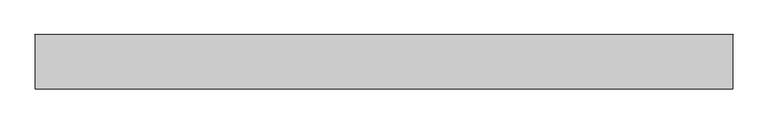
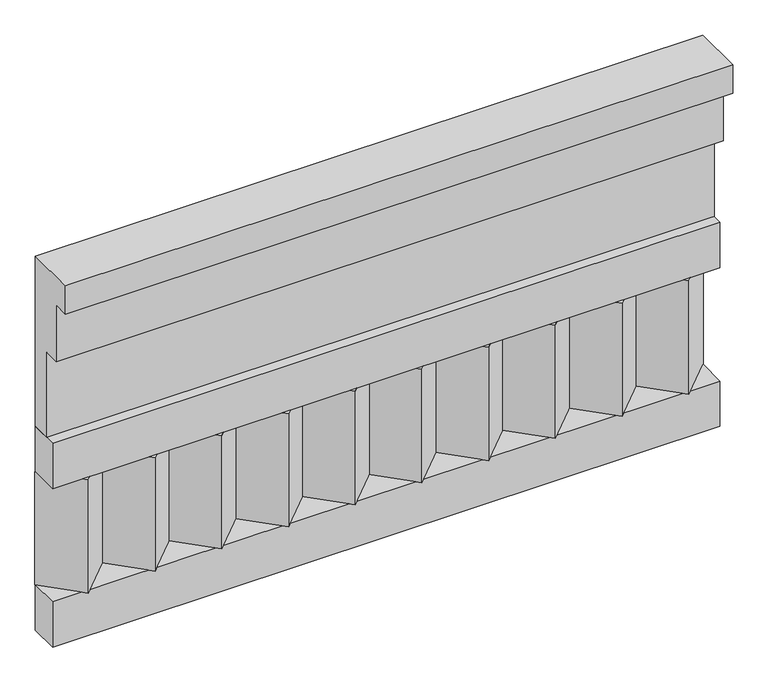
"""IFC4 building model written with IfcOpenShell, lengths in millimetres: railing geometry."""

from ifc_helpers import new_model, si_unit, frame, origin, place, context, project, spatial, polyline, outline, extrude, source, transform, mapped, element, save


def railing_13546ea2(model_context):
    return source(origin(), model_context, "Body", "SweptSolid", [
        extrude(outline(polyline([(-16816.8920513, 15205.0), (-16816.8920513, 14755.0), (-16866.8920513, 14755.0), (-16866.8920513, 14980.0), (-16906.8920513, 14980.0), (-16906.8920513, 15130.0), (-16946.8920513, 15130.0), (-16946.8920513, 15205.0), (-16816.8920513, 15205.0)])), frame((39990.0112841, 0.0, 0.0), z_axis=(1.0, 0.0, 0.0), x_axis=(0.0, 1.0, 0.0)), (0.0, 0.0, 1.0), 1670.0),
        extrude(outline(polyline([(39990.0112841, -16891.8920513), (39990.0112841, -16816.8920513), (41660.0112841, -16816.8920513), (41660.0112841, -16891.8920513), (39990.0112841, -16891.8920513)])), frame((0.0, 0.0, 14635.0), z_axis=(0.0, 0.0, 1.0), x_axis=(1.0, 0.0, 0.0)), (0.0, 0.0, 1.0), 120.0),
        extrude(outline(polyline([(39990.0112841, -16891.8920513), (39990.0112841, -16816.8920513), (41660.0112841, -16816.8920513), (41660.0112841, -16891.8920513), (39990.0112841, -16891.8920513)])), frame((0.0, 0.0, 14215.0), z_axis=(0.0, 0.0, 1.0), x_axis=(1.0, 0.0, 0.0)), (0.0, 0.0, 1.0), 120.0),
        extrude(outline(polyline([(41576.5112841, -16901.7448651), (41491.6584704, -16816.8920513), (41661.3640978, -16816.8920513), (41576.5112841, -16901.7448651)])), frame((0.0, 0.0, 14335.0), z_axis=(0.0, 0.0, 1.0), x_axis=(1.0, 0.0, 0.0)), (0.0, 0.0, 1.0), 300.0),
        extrude(outline(polyline([(41409.5112841, -16901.7448651), (41324.6584704, -16816.8920513), (41494.3640978, -16816.8920513), (41409.5112841, -16901.7448651)])), frame((0.0, 0.0, 14335.0), z_axis=(0.0, 0.0, 1.0), x_axis=(1.0, 0.0, 0.0)), (0.0, 0.0, 1.0), 300.0),
        extrude(outline(polyline([(41242.5112841, -16901.7448651), (41157.6584704, -16816.8920513), (41327.3640978, -16816.8920513), (41242.5112841, -16901.7448651)])), frame((0.0, 0.0, 14335.0), z_axis=(0.0, 0.0, 1.0), x_axis=(1.0, 0.0, 0.0)), (0.0, 0.0, 1.0), 300.0),
        extrude(outline(polyline([(41075.5112841, -16901.7448651), (40990.6584704, -16816.8920513), (41160.3640978, -16816.8920513), (41075.5112841, -16901.7448651)])), frame((0.0, 0.0, 14335.0), z_axis=(0.0, 0.0, 1.0), x_axis=(1.0, 0.0, 0.0)), (0.0, 0.0, 1.0), 300.0),
        extrude(outline(polyline([(40908.5112841, -16901.7448651), (40823.6584704, -16816.8920513), (40993.3640978, -16816.8920513), (40908.5112841, -16901.7448651)])), frame((0.0, 0.0, 14335.0), z_axis=(0.0, 0.0, 1.0), x_axis=(1.0, 0.0, 0.0)), (0.0, 0.0, 1.0), 300.0),
        extrude(outline(polyline([(40741.5112841, -16901.7448651), (40656.6584704, -16816.8920513), (40826.3640978, -16816.8920513), (40741.5112841, -16901.7448651)])), frame((0.0, 0.0, 14335.0), z_axis=(0.0, 0.0, 1.0), x_axis=(1.0, 0.0, 0.0)), (0.0, 0.0, 1.0), 300.0),
        extrude(outline(polyline([(40574.5112841, -16901.7448651), (40489.6584704, -16816.8920513), (40659.3640978, -16816.8920513), (40574.5112841, -16901.7448651)])), frame((0.0, 0.0, 14335.0), z_axis=(0.0, 0.0, 1.0), x_axis=(1.0, 0.0, 0.0)), (0.0, 0.0, 1.0), 300.0),
        extrude(outline(polyline([(40407.5112841, -16901.7448651), (40322.6584704, -16816.8920513), (40492.3640978, -16816.8920513), (40407.5112841, -16901.7448651)])), frame((0.0, 0.0, 14335.0), z_axis=(0.0, 0.0, 1.0), x_axis=(1.0, 0.0, 0.0)), (0.0, 0.0, 1.0), 300.0),
        extrude(outline(polyline([(40240.5112841, -16901.7448651), (40155.6584704, -16816.8920513), (40325.3640978, -16816.8920513), (40240.5112841, -16901.7448651)])), frame((0.0, 0.0, 14335.0), z_axis=(0.0, 0.0, 1.0), x_axis=(1.0, 0.0, 0.0)), (0.0, 0.0, 1.0), 300.0),
        extrude(outline(polyline([(40073.5112841, -16901.7448651), (39988.6584704, -16816.8920513), (40158.3640978, -16816.8920513), (40073.5112841, -16901.7448651)])), frame((0.0, 0.0, 14335.0), z_axis=(0.0, 0.0, 1.0), x_axis=(1.0, 0.0, 0.0)), (0.0, 0.0, 1.0), 300.0),
    ])


if __name__ == "__main__":
    model = new_model("IFC4")
    model_context = context("Model", 3, world=origin())
    ifc_project = project(units=[si_unit("LENGTHUNIT", "METRE", prefix="MILLI")], contexts=[model_context])
    site = spatial("IfcSite", under=ifc_project)
    building = spatial("IfcBuilding", under=site)
    placement = place(None, origin())
    railing_shape = railing_13546ea2(model_context)
    element("IfcRailing", 1, at=placement, inside=building, context=model_context, shape_type="MappedRepresentation", body=[
        mapped(railing_shape, transform((0.0, 0.0, 0.0), x_axis=(1.0, 0.0, 0.0), y_axis=(0.0, 1.0, 0.0), z_axis=(0.0, 0.0, 1.0))),
    ])
    save(model, "model.ifc")
